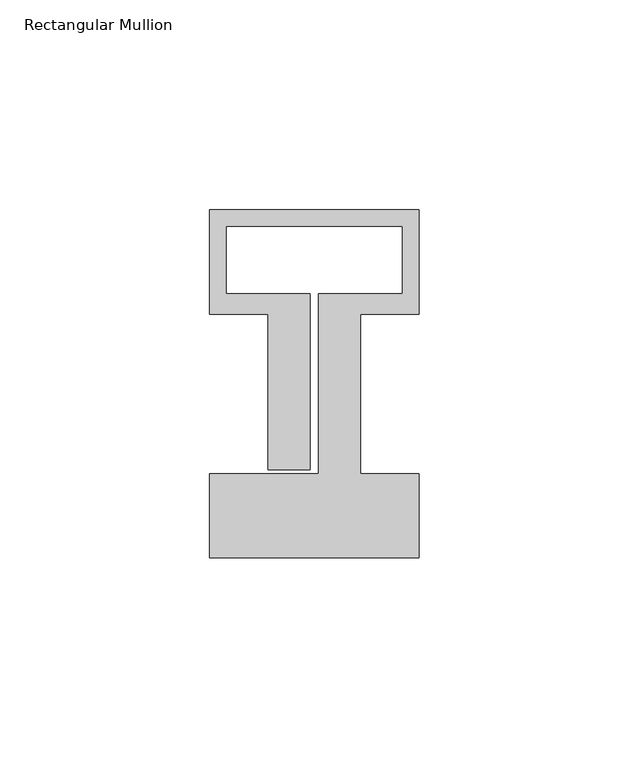
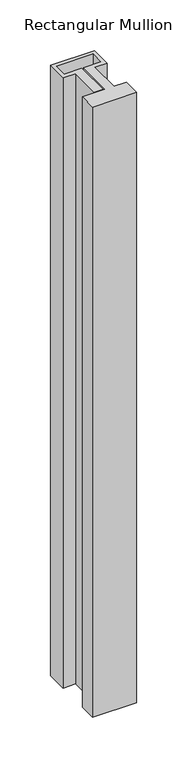
"""IFC4 building model written with IfcOpenShell, lengths in millimetres: member geometry, Rectangular Mullion."""

from ifc_helpers import new_model, si_unit, frame, origin, place, context, project, spatial, polyline, outline, extrude, source, transform, mapped, element, save


def rectangular_mullion_a4ca85b9(model_context):
    return source(origin(), model_context, "Body", "SweptSolid", [
        extrude(outline(polyline([(0.0, -58.0), (-50.0, -58.0), (-50.0, -38.0), (-24.0, -38.0), (-24.0, 5.0), (-4.0, 5.0), (-4.0, 21.0), (-46.0, 21.0), (-46.0, 5.0), (-26.0, 5.0), (-26.0, -37.0), (-36.0, -37.0), (-36.0, 0.1), (-50.0, 0.1), (-50.0, 25.0), (0.0, 25.0), (0.0, 0.1), (-14.0, 0.1), (-14.0, -38.0), (0.0, -38.0), (0.0, -58.0)])), frame((0.0, 0.0, -735.0), z_axis=(0.0, 0.0, 1.0), x_axis=(1.0, 0.0, 0.0)), (0.0, 0.0, 1.0), 735.0),
    ])


if __name__ == "__main__":
    model = new_model("IFC4")
    model_context = context("Model", 3, world=origin())
    ifc_project = project(units=[si_unit("LENGTHUNIT", "METRE", prefix="MILLI")], contexts=[model_context])
    site = spatial("IfcSite", under=ifc_project)
    building = spatial("IfcBuilding", under=site)
    placement = place(None, origin())
    rectangular_mullion_shape = rectangular_mullion_a4ca85b9(model_context)
    element("IfcMember", 1, ObjectType="Rectangular Mullion", at=placement, inside=building, context=model_context, shape_type="MappedRepresentation", body=[
        mapped(rectangular_mullion_shape, transform((0.0, 0.0, 0.0), x_axis=(1.0, 0.0, 0.0), y_axis=(0.0, 1.0, 0.0), z_axis=(0.0, 0.0, 1.0))),
    ])
    save(model, "model.ifc")
